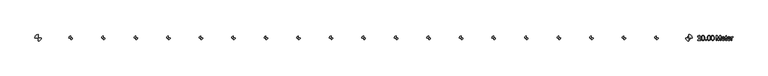
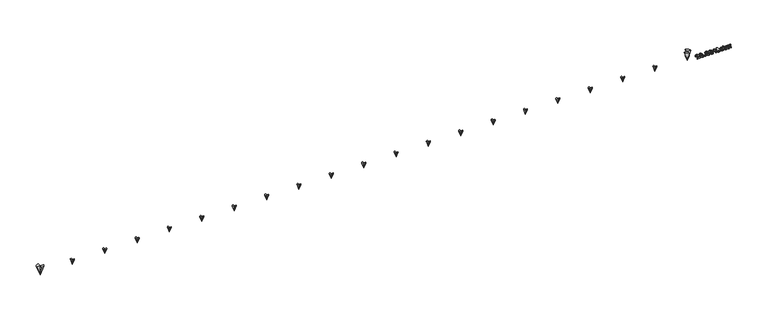
"""IFC4 building model written with IfcOpenShell, lengths in millimetres: proxy geometry."""

import ifcopenshell
import ifcopenshell.guid

model = None  # the IFC model being written
_history = None  # IfcOwnerHistory: only IFC2X3 demands one
_inside = {}  # id of a spatial element -> (the spatial element, [elements in it])
_under = {}  # id of a project, library or spatial element -> (it, [spatial elements below it])
_declared = {}  # id of a project -> (the project, [libraries it declares])
_typed = {}  # id of a type object -> (the type object, [elements of that type])
_made_of = {}  # id of a material, layer set ... -> (it, [elements and type objects made of it])


def new_model(schema):
    """Start an empty IFC model of exactly this schema.

    Asked for "IFC4X3", IfcOpenShell would pick the latest addendum, in which some entities
    have other attributes; the version numbers below select the first issue.
    IFC2X3 requires an IfcOwnerHistory on every rooted entity: one is made here for all.
    """
    global model, _history
    if schema == "IFC4X3":
        model = ifcopenshell.file(schema_version=(4, 3, 0, 0))
    else:
        model = ifcopenshell.file(schema=schema)
    _inside.clear()
    _under.clear()
    _declared.clear()
    _typed.clear()
    _made_of.clear()
    _history = None
    if model.schema == "IFC2X3":
        org = make("IfcOrganization", Name="unknown")
        user = make(
            "IfcPersonAndOrganization",
            ThePerson=make("IfcPerson", FamilyName="unknown"),
            TheOrganization=org,
        )
        app = make(
            "IfcApplication",
            ApplicationDeveloper=org,
            Version="unknown",
            ApplicationFullName="unknown",
            ApplicationIdentifier="unknown",
        )
        _history = make(
            "IfcOwnerHistory",
            OwningUser=user,
            OwningApplication=app,
            ChangeAction="ADDED",
            CreationDate=0,
        )
    return model


def make(cls, **values):
    """One entity of the class cls with the attributes given. An attribute that is None is left unset."""
    return model.create_entity(
        cls, **{name: value for name, value in values.items() if value is not None}
    )


def rooted(cls, **values):
    """An entity with a GlobalId (a new one), such as an element, a storey or a relation."""
    return make(cls, GlobalId=ifcopenshell.guid.new(), OwnerHistory=_history, **values)


def si_unit(unit_type, name, prefix=None):
    """IfcSIUnit, for example si_unit("LENGTHUNIT", "METRE", prefix="MILLI")."""
    return make("IfcSIUnit", UnitType=unit_type, Prefix=prefix, Name=name)


def assignment(units):
    """IfcUnitAssignment: the units of a project."""
    return None if units is None else make("IfcUnitAssignment", Units=units)


def point(xyz):
    """IfcCartesianPoint."""
    return None if xyz is None else make("IfcCartesianPoint", Coordinates=xyz)


def direction(xyz):
    """IfcDirection."""
    return None if xyz is None else make("IfcDirection", DirectionRatios=xyz)


def frame(location, z_axis=None, x_axis=None):
    """IfcAxis2Placement3D, a coordinate frame: its origin and axes. An axis left out is left unset."""
    return make(
        "IfcAxis2Placement3D",
        Location=point(location),
        Axis=direction(z_axis),
        RefDirection=direction(x_axis),
    )


def origin():
    """The frame at (0, 0, 0) with its axes left unset."""
    return frame((0.0, 0.0, 0.0))


def origin_with_axes():
    """The frame at (0, 0, 0) with the z axis (0, 0, 1) and the x axis (1, 0, 0) written out."""
    return frame((0.0, 0.0, 0.0), z_axis=(0.0, 0.0, 1.0), x_axis=(1.0, 0.0, 0.0))


def place(relative_to, where):
    """IfcLocalPlacement: puts the frame where relative to a parent placement (None: the world)."""
    return make(
        "IfcLocalPlacement", PlacementRelTo=relative_to, RelativePlacement=where
    )


def context(
    kind, dimensions, precision=None, world=None, true_north=None, identifier=None
):
    """IfcGeometricRepresentationContext, for example the 3D "Model" context."""
    return make(
        "IfcGeometricRepresentationContext",
        ContextIdentifier=identifier,
        ContextType=kind,
        CoordinateSpaceDimension=dimensions,
        Precision=precision,
        WorldCoordinateSystem=world,
        TrueNorth=true_north,
    )


def project(units=None, contexts=None):
    """IfcProject with its units and contexts."""
    return rooted(
        "IfcProject",
        Name="project",
        RepresentationContexts=contexts,
        UnitsInContext=assignment(units),
    )


def spatial(cls, under=None, at=None, **own):
    """A site, building, storey or space (cls), placed at a placement, below another one or the project."""
    s = rooted(cls, ObjectPlacement=at, **own)
    if under is not None:
        _under.setdefault(under.id(), (under, []))[1].append(s)
    return s


def polyline(points):
    """IfcPolyline through the points."""
    return make("IfcPolyline", Points=[point(p) for p in points])


def circle_curve(where, radius):
    """IfcCircle in the frame where."""
    return make("IfcCircle", Position=where, Radius=radius)


def outline(outer, holes=None, kind="AREA"):
    """IfcArbitraryClosedProfileDef: a profile drawn as a closed curve; with holes, ...WithVoids."""
    if holes is None:
        return make("IfcArbitraryClosedProfileDef", ProfileType=kind, OuterCurve=outer)
    return make(
        "IfcArbitraryProfileDefWithVoids",
        ProfileType=kind,
        OuterCurve=outer,
        InnerCurves=holes,
    )


def extrude(swept, where, along, depth):
    """IfcExtrudedAreaSolid: the profile swept, set in the frame where, extruded along a direction by depth."""
    return make(
        "IfcExtrudedAreaSolid",
        SweptArea=swept,
        Position=where,
        ExtrudedDirection=direction(along),
        Depth=depth,
    )


def shape(context_of_items, identifier, shape_type, items):
    """IfcShapeRepresentation: the items that make up one representation, for example the "Body"."""
    return make(
        "IfcShapeRepresentation",
        ContextOfItems=context_of_items,
        RepresentationIdentifier=identifier,
        RepresentationType=shape_type,
        Items=items,
    )


def source(mapping_origin, context_of_items, identifier, shape_type, items):
    """IfcRepresentationMap: a shape defined once, which mapped items show again and again."""
    return make(
        "IfcRepresentationMap",
        MappingOrigin=mapping_origin,
        MappedRepresentation=shape(context_of_items, identifier, shape_type, items),
    )


def transform(
    local_origin,
    x_axis=None,
    y_axis=None,
    z_axis=None,
    scale=None,
    scale2=None,
    scale3=None,
    uniform=True,
):
    """IfcCartesianTransformationOperator3D, or its non-uniform kind. x_axis, y_axis, z_axis: its Axis1, 2, 3."""
    if uniform:
        return make(
            "IfcCartesianTransformationOperator3D",
            Axis1=direction(x_axis),
            Axis2=direction(y_axis),
            LocalOrigin=point(local_origin),
            Scale=scale,
            Axis3=direction(z_axis),
        )
    return make(
        "IfcCartesianTransformationOperator3DnonUniform",
        Axis1=direction(x_axis),
        Axis2=direction(y_axis),
        LocalOrigin=point(local_origin),
        Scale=scale,
        Axis3=direction(z_axis),
        Scale2=scale2,
        Scale3=scale3,
    )


def mapped(mapping_source, mapping_target):
    """IfcMappedItem: shows the shape of a source again, moved by a transform."""
    return make(
        "IfcMappedItem", MappingSource=mapping_source, MappingTarget=mapping_target
    )


def made_of(thing, what):
    """Note that an element or type object is made of a material, layer set ...; save() writes the relation."""
    if what is not None:
        _made_of.setdefault(what.id(), (what, []))[1].append(thing)
    return thing


def element(
    cls,
    number,
    at=None,
    inside=None,
    cuts=None,
    type_object=None,
    material=None,
    context=None,
    identifier="Body",
    shape_type=None,
    held_by="IfcProductDefinitionShape",
    body=None,
    shapes=None,
    **own,
):
    """One element of the class cls, such as IfcWall. Its Tag is "e" and its number.

    at: its placement. inside: the storey or other place that contains it. cuts: it is an
    opening in that element (IfcRelVoidsElement). A single representation is given by context,
    identifier, shape_type and body (its items); several are given by shapes. held_by: the class
    of the entity that holds the representations. save() writes the other relations.
    """
    e = rooted(cls, Tag="e%d" % number, ObjectPlacement=at, **own)
    if body is not None:
        shapes = [shape(context, identifier, shape_type, body)]
    if shapes is not None:
        e.Representation = make(held_by, Representations=shapes)
    if inside is not None:
        _inside.setdefault(inside.id(), (inside, []))[1].append(e)
    if cuts is not None:
        rooted(
            "IfcRelVoidsElement", RelatingBuildingElement=cuts, RelatedOpeningElement=e
        )
    if type_object is not None:
        _typed.setdefault(type_object.id(), (type_object, []))[1].append(e)
    return made_of(e, material)


def aggregate(whole, parts):
    """IfcRelAggregates: a whole, such as a stair, and the parts it consists of."""
    return rooted("IfcRelAggregates", RelatingObject=whole, RelatedObjects=parts)


def save(model, path):
    """Write the relations noted so far, then the file.

    IfcRelAggregates (storeys below a building ...), IfcRelContainedInSpatialStructure (elements
    in a storey), IfcRelDefinesByType, IfcRelAssociatesMaterial and IfcRelDeclares: one each for
    every whole, place, type object, material and project.
    """
    for whole, parts in _under.values():
        aggregate(whole, parts)
    for where, things in _inside.values():
        rooted(
            "IfcRelContainedInSpatialStructure",
            RelatedElements=things,
            RelatingStructure=where,
        )
    for kind, things in _typed.values():
        rooted("IfcRelDefinesByType", RelatedObjects=things, RelatingType=kind)
    for what, things in _made_of.values():
        rooted("IfcRelAssociatesMaterial", RelatedObjects=things, RelatingMaterial=what)
    for by, libraries in _declared.values():
        rooted("IfcRelDeclares", RelatingContext=by, RelatedDefinitions=libraries)
    model.write(path)


def plane_surface(at):
    """IfcPlane: the flat surface through the origin of the frame at, square to its z axis."""
    return make("IfcPlane", Position=at)


def revolved_surface(curve, axis_point, axis_direction):
    """IfcSurfaceOfRevolution: the curve turned about the line through axis_point along axis_direction."""
    return make(
        "IfcSurfaceOfRevolution",
        SweptCurve=make("IfcArbitraryOpenProfileDef", ProfileType="CURVE", Curve=curve),
        AxisPosition=make("IfcAxis1Placement", Location=point(axis_point), Axis=direction(axis_direction)),
    )


def advanced_brep(points, edges, surfaces, faces):
    """IfcAdvancedBrep: a solid bounded by faces that lie on surfaces and meet in shared edges.

    An edge is (start, end): straight between two places in points (the first is 0);
    or (start, end, curve); or (start, end, curve, False) where it runs against its curve.
    A face is (place in surfaces, loops), or (place, loops, False) where it looks against
    its surface's normal. A loop lists edges by number (the first is 1), with a minus sign
    where the edge is run from its end to its start. The first loop is the outer one.
    """
    corners = [point(p) for p in points]
    vertices = [make("IfcVertexPoint", VertexGeometry=c) for c in corners]
    made = []
    for start, end, *more in edges:
        made.append(
            make(
                "IfcEdgeCurve",
                EdgeStart=vertices[start],
                EdgeEnd=vertices[end],
                EdgeGeometry=more[0] if more else make("IfcPolyline", Points=[corners[start], corners[end]]),
                SameSense=more[1] if len(more) > 1 else True,
            )
        )
    hull = []
    for where, loops, *sense in faces:
        bounds = []
        for j, loop in enumerate(loops):
            ring = [make("IfcOrientedEdge", EdgeElement=made[abs(k) - 1], Orientation=k > 0) for k in loop]
            bounds.append(
                make(
                    "IfcFaceOuterBound" if j == 0 else "IfcFaceBound",
                    Bound=make("IfcEdgeLoop", EdgeList=ring),
                    Orientation=True,
                )
            )
        hull.append(make("IfcAdvancedFace", Bounds=bounds, FaceSurface=surfaces[where], SameSense=sense[0] if sense else True))
    return make("IfcAdvancedBrep", Outer=make("IfcClosedShell", CfsFaces=hull))


def generic_models_39c71c62(model_context):
    return source(origin(), model_context, "Body", "SolidModel", [
        advanced_brep(
        [(19946.9713765, 0.0, 159.0858704), (20000.0, 53.0286235, 159.0858704), (20000.0, 0.0, 0.0), (20053.0286235, 0.0, 159.0858704), (20000.0, -53.0286235, 159.0858704), (20000.0, 0.0, 159.0858704)],
        [
            (0, 1, circle_curve(frame((20000.0, 0.0, 159.0858704), z_axis=(0.0, 0.0, -1.0), x_axis=(1.0, 0.0, 0.0)), 53.0286235)),
            (1, 2),
            (2, 0),
            (2, 3),
            (3, 4, circle_curve(frame((20000.0, 0.0, 159.0858704), z_axis=(0.0, 0.0, -1.0), x_axis=(1.0, 0.0, 0.0)), 53.0286235)),
            (4, 2),
            (0, 5),
            (5, 1),
            (3, 5),
            (5, 4),
            (5, 2),
            (5, 2),
        ],
        [
            revolved_surface(polyline([(20000.0, 0.0, 0.0), (20053.0286235, 0.0, 159.0858704)]), (20000.0, 0.0, 300.0), (0.0, 0.0, 1.0)),
            plane_surface(frame((20000.0, 0.0, 159.0858704), z_axis=(0.0, 0.0, 1.0), x_axis=(1.0, 0.0, 0.0))),
            plane_surface(frame((20000.0, 120.0, 345.9090809), z_axis=(1.0, 0.0, 0.0), x_axis=(0.0, 0.0, -1.0))),
            plane_surface(frame((20000.0, 0.0, 345.9090809), z_axis=(0.0, 1.0, 0.0), x_axis=(0.0, 0.0, -1.0))),
            plane_surface(frame((20000.0, -120.0, 345.9090809), z_axis=(-1.0, 0.0, 0.0), x_axis=(0.0, 0.0, -1.0))),
            plane_surface(frame((20000.0, 0.0, 345.9090809), z_axis=(0.0, -1.0, 0.0), x_axis=(0.0, 0.0, -1.0))),
        ],
        [
            (0, [[1, 2, 3]]),
            (0, [[4, 5, 6]]),
            (1, [[-1, 7, 8]]),
            (1, [[9, 10, -5]]),
            (2, [[11, -2, -8]]),
            (3, [[-11, -9, -4]]),
            (4, [[12, -6, -10]]),
            (5, [[-12, -7, -3]]),
        ],
    ),
        advanced_brep(
        [(18946.9713765, 0.0, 159.0858704), (19000.0, 53.0286235, 159.0858704), (19000.0, 0.0, 0.0), (19053.0286235, 0.0, 159.0858704), (19000.0, -53.0286235, 159.0858704), (19000.0, 0.0, 159.0858704)],
        [
            (0, 1, circle_curve(frame((19000.0, 0.0, 159.0858704), z_axis=(0.0, 0.0, -1.0), x_axis=(1.0, 0.0, 0.0)), 53.0286235)),
            (1, 2),
            (2, 0),
            (2, 3),
            (3, 4, circle_curve(frame((19000.0, 0.0, 159.0858704), z_axis=(0.0, 0.0, -1.0), x_axis=(1.0, 0.0, 0.0)), 53.0286235)),
            (4, 2),
            (0, 5),
            (5, 1),
            (3, 5),
            (5, 4),
            (5, 2),
            (5, 2),
        ],
        [
            revolved_surface(polyline([(19000.0, 0.0, 0.0), (19053.0286235, 0.0, 159.0858704)]), (19000.0, 0.0, 300.0), (0.0, 0.0, 1.0)),
            plane_surface(frame((19000.0, 0.0, 159.0858704), z_axis=(0.0, 0.0, 1.0), x_axis=(1.0, 0.0, 0.0))),
            plane_surface(frame((19000.0, 120.0, 345.9090809), z_axis=(1.0, 0.0, 0.0), x_axis=(0.0, 0.0, -1.0))),
            plane_surface(frame((19000.0, 0.0, 345.9090809), z_axis=(0.0, 1.0, 0.0), x_axis=(0.0, 0.0, -1.0))),
            plane_surface(frame((19000.0, -120.0, 345.9090809), z_axis=(-1.0, 0.0, 0.0), x_axis=(0.0, 0.0, -1.0))),
            plane_surface(frame((19000.0, 0.0, 345.9090809), z_axis=(0.0, -1.0, 0.0), x_axis=(0.0, 0.0, -1.0))),
        ],
        [
            (0, [[1, 2, 3]]),
            (0, [[4, 5, 6]]),
            (1, [[-1, 7, 8]]),
            (1, [[9, 10, -5]]),
            (2, [[11, -2, -8]]),
            (3, [[-11, -9, -4]]),
            (4, [[12, -6, -10]]),
            (5, [[-12, -7, -3]]),
        ],
    ),
        advanced_brep(
        [(17946.9713765, 0.0, 159.0858704), (18000.0, 53.0286235, 159.0858704), (18000.0, 0.0, 0.0), (18053.0286235, 0.0, 159.0858704), (18000.0, -53.0286235, 159.0858704), (18000.0, 0.0, 159.0858704)],
        [
            (0, 1, circle_curve(frame((18000.0, 0.0, 159.0858704), z_axis=(0.0, 0.0, -1.0), x_axis=(1.0, 0.0, 0.0)), 53.0286235)),
            (1, 2),
            (2, 0),
            (2, 3),
            (3, 4, circle_curve(frame((18000.0, 0.0, 159.0858704), z_axis=(0.0, 0.0, -1.0), x_axis=(1.0, 0.0, 0.0)), 53.0286235)),
            (4, 2),
            (0, 5),
            (5, 1),
            (3, 5),
            (5, 4),
            (5, 2),
            (5, 2),
        ],
        [
            revolved_surface(polyline([(18000.0, 0.0, 0.0), (18053.0286235, 0.0, 159.0858704)]), (18000.0, 0.0, 300.0), (0.0, 0.0, 1.0)),
            plane_surface(frame((18000.0, 0.0, 159.0858704), z_axis=(0.0, 0.0, 1.0), x_axis=(1.0, 0.0, 0.0))),
            plane_surface(frame((18000.0, 120.0, 345.9090809), z_axis=(1.0, 0.0, 0.0), x_axis=(0.0, 0.0, -1.0))),
            plane_surface(frame((18000.0, 0.0, 345.9090809), z_axis=(0.0, 1.0, 0.0), x_axis=(0.0, 0.0, -1.0))),
            plane_surface(frame((18000.0, -120.0, 345.9090809), z_axis=(-1.0, 0.0, 0.0), x_axis=(0.0, 0.0, -1.0))),
            plane_surface(frame((18000.0, 0.0, 345.9090809), z_axis=(0.0, -1.0, 0.0), x_axis=(0.0, 0.0, -1.0))),
        ],
        [
            (0, [[1, 2, 3]]),
            (0, [[4, 5, 6]]),
            (1, [[-1, 7, 8]]),
            (1, [[9, 10, -5]]),
            (2, [[11, -2, -8]]),
            (3, [[-11, -9, -4]]),
            (4, [[12, -6, -10]]),
            (5, [[-12, -7, -3]]),
        ],
    ),
        advanced_brep(
        [(16946.9713765, 0.0, 159.0858704), (17000.0, 53.0286235, 159.0858704), (17000.0, 0.0, 0.0), (17053.0286235, 0.0, 159.0858704), (17000.0, -53.0286235, 159.0858704), (17000.0, 0.0, 159.0858704)],
        [
            (0, 1, circle_curve(frame((17000.0, 0.0, 159.0858704), z_axis=(0.0, 0.0, -1.0), x_axis=(1.0, 0.0, 0.0)), 53.0286235)),
            (1, 2),
            (2, 0),
            (2, 3),
            (3, 4, circle_curve(frame((17000.0, 0.0, 159.0858704), z_axis=(0.0, 0.0, -1.0), x_axis=(1.0, 0.0, 0.0)), 53.0286235)),
            (4, 2),
            (0, 5),
            (5, 1),
            (3, 5),
            (5, 4),
            (5, 2),
            (5, 2),
        ],
        [
            revolved_surface(polyline([(17000.0, 0.0, 0.0), (17053.0286235, 0.0, 159.0858704)]), (17000.0, 0.0, 300.0), (0.0, 0.0, 1.0)),
            plane_surface(frame((17000.0, 0.0, 159.0858704), z_axis=(0.0, 0.0, 1.0), x_axis=(1.0, 0.0, 0.0))),
            plane_surface(frame((17000.0, 120.0, 345.9090809), z_axis=(1.0, 0.0, 0.0), x_axis=(0.0, 0.0, -1.0))),
            plane_surface(frame((17000.0, 0.0, 345.9090809), z_axis=(0.0, 1.0, 0.0), x_axis=(0.0, 0.0, -1.0))),
            plane_surface(frame((17000.0, -120.0, 345.9090809), z_axis=(-1.0, 0.0, 0.0), x_axis=(0.0, 0.0, -1.0))),
            plane_surface(frame((17000.0, 0.0, 345.9090809), z_axis=(0.0, -1.0, 0.0), x_axis=(0.0, 0.0, -1.0))),
        ],
        [
            (0, [[1, 2, 3]]),
            (0, [[4, 5, 6]]),
            (1, [[-1, 7, 8]]),
            (1, [[9, 10, -5]]),
            (2, [[11, -2, -8]]),
            (3, [[-11, -9, -4]]),
            (4, [[12, -6, -10]]),
            (5, [[-12, -7, -3]]),
        ],
    ),
        advanced_brep(
        [(15946.9713765, 0.0, 159.0858704), (16000.0, 53.0286235, 159.0858704), (16000.0, 0.0, 0.0), (16053.0286235, 0.0, 159.0858704), (16000.0, -53.0286235, 159.0858704), (16000.0, 0.0, 159.0858704)],
        [
            (0, 1, circle_curve(frame((16000.0, 0.0, 159.0858704), z_axis=(0.0, 0.0, -1.0), x_axis=(1.0, 0.0, 0.0)), 53.0286235)),
            (1, 2),
            (2, 0),
            (2, 3),
            (3, 4, circle_curve(frame((16000.0, 0.0, 159.0858704), z_axis=(0.0, 0.0, -1.0), x_axis=(1.0, 0.0, 0.0)), 53.0286235)),
            (4, 2),
            (0, 5),
            (5, 1),
            (3, 5),
            (5, 4),
            (5, 2),
            (5, 2),
        ],
        [
            revolved_surface(polyline([(16000.0, 0.0, 0.0), (16053.0286235, 0.0, 159.0858704)]), (16000.0, 0.0, 300.0), (0.0, 0.0, 1.0)),
            plane_surface(frame((16000.0, 0.0, 159.0858704), z_axis=(0.0, 0.0, 1.0), x_axis=(1.0, 0.0, 0.0))),
            plane_surface(frame((16000.0, 120.0, 345.9090809), z_axis=(1.0, 0.0, 0.0), x_axis=(0.0, 0.0, -1.0))),
            plane_surface(frame((16000.0, 0.0, 345.9090809), z_axis=(0.0, 1.0, 0.0), x_axis=(0.0, 0.0, -1.0))),
            plane_surface(frame((16000.0, -120.0, 345.9090809), z_axis=(-1.0, 0.0, 0.0), x_axis=(0.0, 0.0, -1.0))),
            plane_surface(frame((16000.0, 0.0, 345.9090809), z_axis=(0.0, -1.0, 0.0), x_axis=(0.0, 0.0, -1.0))),
        ],
        [
            (0, [[1, 2, 3]]),
            (0, [[4, 5, 6]]),
            (1, [[-1, 7, 8]]),
            (1, [[9, 10, -5]]),
            (2, [[11, -2, -8]]),
            (3, [[-11, -9, -4]]),
            (4, [[12, -6, -10]]),
            (5, [[-12, -7, -3]]),
        ],
    ),
        advanced_brep(
        [(14946.9713765, 0.0, 159.0858704), (15000.0, 53.0286235, 159.0858704), (15000.0, 0.0, 0.0), (15053.0286235, 0.0, 159.0858704), (15000.0, -53.0286235, 159.0858704), (15000.0, 0.0, 159.0858704)],
        [
            (0, 1, circle_curve(frame((15000.0, 0.0, 159.0858704), z_axis=(0.0, 0.0, -1.0), x_axis=(1.0, 0.0, 0.0)), 53.0286235)),
            (1, 2),
            (2, 0),
            (2, 3),
            (3, 4, circle_curve(frame((15000.0, 0.0, 159.0858704), z_axis=(0.0, 0.0, -1.0), x_axis=(1.0, 0.0, 0.0)), 53.0286235)),
            (4, 2),
            (0, 5),
            (5, 1),
            (3, 5),
            (5, 4),
            (5, 2),
            (5, 2),
        ],
        [
            revolved_surface(polyline([(15000.0, 0.0, 0.0), (15053.0286235, 0.0, 159.0858704)]), (15000.0, 0.0, 300.0), (0.0, 0.0, 1.0)),
            plane_surface(frame((15000.0, 0.0, 159.0858704), z_axis=(0.0, 0.0, 1.0), x_axis=(1.0, 0.0, 0.0))),
            plane_surface(frame((15000.0, 120.0, 345.9090809), z_axis=(1.0, 0.0, 0.0), x_axis=(0.0, 0.0, -1.0))),
            plane_surface(frame((15000.0, 0.0, 345.9090809), z_axis=(0.0, 1.0, 0.0), x_axis=(0.0, 0.0, -1.0))),
            plane_surface(frame((15000.0, -120.0, 345.9090809), z_axis=(-1.0, 0.0, 0.0), x_axis=(0.0, 0.0, -1.0))),
            plane_surface(frame((15000.0, 0.0, 345.9090809), z_axis=(0.0, -1.0, 0.0), x_axis=(0.0, 0.0, -1.0))),
        ],
        [
            (0, [[1, 2, 3]]),
            (0, [[4, 5, 6]]),
            (1, [[-1, 7, 8]]),
            (1, [[9, 10, -5]]),
            (2, [[11, -2, -8]]),
            (3, [[-11, -9, -4]]),
            (4, [[12, -6, -10]]),
            (5, [[-12, -7, -3]]),
        ],
    ),
        advanced_brep(
        [(13946.9713765, 0.0, 159.0858704), (14000.0, 53.0286235, 159.0858704), (14000.0, 0.0, 0.0), (14053.0286235, 0.0, 159.0858704), (14000.0, -53.0286235, 159.0858704), (14000.0, 0.0, 159.0858704)],
        [
            (0, 1, circle_curve(frame((14000.0, 0.0, 159.0858704), z_axis=(0.0, 0.0, -1.0), x_axis=(1.0, 0.0, 0.0)), 53.0286235)),
            (1, 2),
            (2, 0),
            (2, 3),
            (3, 4, circle_curve(frame((14000.0, 0.0, 159.0858704), z_axis=(0.0, 0.0, -1.0), x_axis=(1.0, 0.0, 0.0)), 53.0286235)),
            (4, 2),
            (0, 5),
            (5, 1),
            (3, 5),
            (5, 4),
            (5, 2),
            (5, 2),
        ],
        [
            revolved_surface(polyline([(14000.0, 0.0, 0.0), (14053.0286235, 0.0, 159.0858704)]), (14000.0, 0.0, 300.0), (0.0, 0.0, 1.0)),
            plane_surface(frame((14000.0, 0.0, 159.0858704), z_axis=(0.0, 0.0, 1.0), x_axis=(1.0, 0.0, 0.0))),
            plane_surface(frame((14000.0, 120.0, 345.9090809), z_axis=(1.0, 0.0, 0.0), x_axis=(0.0, 0.0, -1.0))),
            plane_surface(frame((14000.0, 0.0, 345.9090809), z_axis=(0.0, 1.0, 0.0), x_axis=(0.0, 0.0, -1.0))),
            plane_surface(frame((14000.0, -120.0, 345.9090809), z_axis=(-1.0, 0.0, 0.0), x_axis=(0.0, 0.0, -1.0))),
            plane_surface(frame((14000.0, 0.0, 345.9090809), z_axis=(0.0, -1.0, 0.0), x_axis=(0.0, 0.0, -1.0))),
        ],
        [
            (0, [[1, 2, 3]]),
            (0, [[4, 5, 6]]),
            (1, [[-1, 7, 8]]),
            (1, [[9, 10, -5]]),
            (2, [[11, -2, -8]]),
            (3, [[-11, -9, -4]]),
            (4, [[12, -6, -10]]),
            (5, [[-12, -7, -3]]),
        ],
    ),
        advanced_brep(
        [(12946.9713765, 0.0, 159.0858704), (13000.0, 53.0286235, 159.0858704), (13000.0, 0.0, 0.0), (13053.0286235, 0.0, 159.0858704), (13000.0, -53.0286235, 159.0858704), (13000.0, 0.0, 159.0858704)],
        [
            (0, 1, circle_curve(frame((13000.0, 0.0, 159.0858704), z_axis=(0.0, 0.0, -1.0), x_axis=(1.0, 0.0, 0.0)), 53.0286235)),
            (1, 2),
            (2, 0),
            (2, 3),
            (3, 4, circle_curve(frame((13000.0, 0.0, 159.0858704), z_axis=(0.0, 0.0, -1.0), x_axis=(1.0, 0.0, 0.0)), 53.0286235)),
            (4, 2),
            (0, 5),
            (5, 1),
            (3, 5),
            (5, 4),
            (5, 2),
            (5, 2),
        ],
        [
            revolved_surface(polyline([(13000.0, 0.0, 0.0), (13053.0286235, 0.0, 159.0858704)]), (13000.0, 0.0, 300.0), (0.0, 0.0, 1.0)),
            plane_surface(frame((13000.0, 0.0, 159.0858704), z_axis=(0.0, 0.0, 1.0), x_axis=(1.0, 0.0, 0.0))),
            plane_surface(frame((13000.0, 120.0, 345.9090809), z_axis=(1.0, 0.0, 0.0), x_axis=(0.0, 0.0, -1.0))),
            plane_surface(frame((13000.0, 0.0, 345.9090809), z_axis=(0.0, 1.0, 0.0), x_axis=(0.0, 0.0, -1.0))),
            plane_surface(frame((13000.0, -120.0, 345.9090809), z_axis=(-1.0, 0.0, 0.0), x_axis=(0.0, 0.0, -1.0))),
            plane_surface(frame((13000.0, 0.0, 345.9090809), z_axis=(0.0, -1.0, 0.0), x_axis=(0.0, 0.0, -1.0))),
        ],
        [
            (0, [[1, 2, 3]]),
            (0, [[4, 5, 6]]),
            (1, [[-1, 7, 8]]),
            (1, [[9, 10, -5]]),
            (2, [[11, -2, -8]]),
            (3, [[-11, -9, -4]]),
            (4, [[12, -6, -10]]),
            (5, [[-12, -7, -3]]),
        ],
    ),
        advanced_brep(
        [(11946.9713765, 0.0, 159.0858704), (12000.0, 53.0286235, 159.0858704), (12000.0, 0.0, 0.0), (12053.0286235, 0.0, 159.0858704), (12000.0, -53.0286235, 159.0858704), (12000.0, 0.0, 159.0858704)],
        [
            (0, 1, circle_curve(frame((12000.0, 0.0, 159.0858704), z_axis=(0.0, 0.0, -1.0), x_axis=(1.0, 0.0, 0.0)), 53.0286235)),
            (1, 2),
            (2, 0),
            (2, 3),
            (3, 4, circle_curve(frame((12000.0, 0.0, 159.0858704), z_axis=(0.0, 0.0, -1.0), x_axis=(1.0, 0.0, 0.0)), 53.0286235)),
            (4, 2),
            (0, 5),
            (5, 1),
            (3, 5),
            (5, 4),
            (5, 2),
            (5, 2),
        ],
        [
            revolved_surface(polyline([(12000.0, 0.0, 0.0), (12053.0286235, 0.0, 159.0858704)]), (12000.0, 0.0, 300.0), (0.0, 0.0, 1.0)),
            plane_surface(frame((12000.0, 0.0, 159.0858704), z_axis=(0.0, 0.0, 1.0), x_axis=(1.0, 0.0, 0.0))),
            plane_surface(frame((12000.0, 120.0, 345.9090809), z_axis=(1.0, 0.0, 0.0), x_axis=(0.0, 0.0, -1.0))),
            plane_surface(frame((12000.0, 0.0, 345.9090809), z_axis=(0.0, 1.0, 0.0), x_axis=(0.0, 0.0, -1.0))),
            plane_surface(frame((12000.0, -120.0, 345.9090809), z_axis=(-1.0, 0.0, 0.0), x_axis=(0.0, 0.0, -1.0))),
            plane_surface(frame((12000.0, 0.0, 345.9090809), z_axis=(0.0, -1.0, 0.0), x_axis=(0.0, 0.0, -1.0))),
        ],
        [
            (0, [[1, 2, 3]]),
            (0, [[4, 5, 6]]),
            (1, [[-1, 7, 8]]),
            (1, [[9, 10, -5]]),
            (2, [[11, -2, -8]]),
            (3, [[-11, -9, -4]]),
            (4, [[12, -6, -10]]),
            (5, [[-12, -7, -3]]),
        ],
    ),
        advanced_brep(
        [(10946.9713765, 0.0, 159.0858704), (11000.0, 53.0286235, 159.0858704), (11000.0, 0.0, 0.0), (11053.0286235, 0.0, 159.0858704), (11000.0, -53.0286235, 159.0858704), (11000.0, 0.0, 159.0858704)],
        [
            (0, 1, circle_curve(frame((11000.0, 0.0, 159.0858704), z_axis=(0.0, 0.0, -1.0), x_axis=(1.0, 0.0, 0.0)), 53.0286235)),
            (1, 2),
            (2, 0),
            (2, 3),
            (3, 4, circle_curve(frame((11000.0, 0.0, 159.0858704), z_axis=(0.0, 0.0, -1.0), x_axis=(1.0, 0.0, 0.0)), 53.0286235)),
            (4, 2),
            (0, 5),
            (5, 1),
            (3, 5),
            (5, 4),
            (5, 2),
            (5, 2),
        ],
        [
            revolved_surface(polyline([(11000.0, 0.0, 0.0), (11053.0286235, 0.0, 159.0858704)]), (11000.0, 0.0, 300.0), (0.0, 0.0, 1.0)),
            plane_surface(frame((11000.0, 0.0, 159.0858704), z_axis=(0.0, 0.0, 1.0), x_axis=(1.0, 0.0, 0.0))),
            plane_surface(frame((11000.0, 120.0, 345.9090809), z_axis=(1.0, 0.0, 0.0), x_axis=(0.0, 0.0, -1.0))),
            plane_surface(frame((11000.0, 0.0, 345.9090809), z_axis=(0.0, 1.0, 0.0), x_axis=(0.0, 0.0, -1.0))),
            plane_surface(frame((11000.0, -120.0, 345.9090809), z_axis=(-1.0, 0.0, 0.0), x_axis=(0.0, 0.0, -1.0))),
            plane_surface(frame((11000.0, 0.0, 345.9090809), z_axis=(0.0, -1.0, 0.0), x_axis=(0.0, 0.0, -1.0))),
        ],
        [
            (0, [[1, 2, 3]]),
            (0, [[4, 5, 6]]),
            (1, [[-1, 7, 8]]),
            (1, [[9, 10, -5]]),
            (2, [[11, -2, -8]]),
            (3, [[-11, -9, -4]]),
            (4, [[12, -6, -10]]),
            (5, [[-12, -7, -3]]),
        ],
    ),
        advanced_brep(
        [(9946.9713765, 0.0, 159.0858704), (10000.0, 53.0286235, 159.0858704), (10000.0, 0.0, 0.0), (10053.0286235, 0.0, 159.0858704), (10000.0, -53.0286235, 159.0858704), (10000.0, 0.0, 159.0858704)],
        [
            (0, 1, circle_curve(frame((10000.0, 0.0, 159.0858704), z_axis=(0.0, 0.0, -1.0), x_axis=(1.0, 0.0, 0.0)), 53.0286235)),
            (1, 2),
            (2, 0),
            (2, 3),
            (3, 4, circle_curve(frame((10000.0, 0.0, 159.0858704), z_axis=(0.0, 0.0, -1.0), x_axis=(1.0, 0.0, 0.0)), 53.0286235)),
            (4, 2),
            (0, 5),
            (5, 1),
            (3, 5),
            (5, 4),
            (5, 2),
            (5, 2),
        ],
        [
            revolved_surface(polyline([(10000.0, 0.0, 0.0), (10053.0286235, 0.0, 159.0858704)]), (10000.0, 0.0, 300.0), (0.0, 0.0, 1.0)),
            plane_surface(frame((10000.0, 0.0, 159.0858704), z_axis=(0.0, 0.0, 1.0), x_axis=(1.0, 0.0, 0.0))),
            plane_surface(frame((10000.0, 120.0, 345.9090809), z_axis=(1.0, 0.0, 0.0), x_axis=(0.0, 0.0, -1.0))),
            plane_surface(frame((10000.0, 0.0, 345.9090809), z_axis=(0.0, 1.0, 0.0), x_axis=(0.0, 0.0, -1.0))),
            plane_surface(frame((10000.0, -120.0, 345.9090809), z_axis=(-1.0, 0.0, 0.0), x_axis=(0.0, 0.0, -1.0))),
            plane_surface(frame((10000.0, 0.0, 345.9090809), z_axis=(0.0, -1.0, 0.0), x_axis=(0.0, 0.0, -1.0))),
        ],
        [
            (0, [[1, 2, 3]]),
            (0, [[4, 5, 6]]),
            (1, [[-1, 7, 8]]),
            (1, [[9, 10, -5]]),
            (2, [[11, -2, -8]]),
            (3, [[-11, -9, -4]]),
            (4, [[12, -6, -10]]),
            (5, [[-12, -7, -3]]),
        ],
    ),
        advanced_brep(
        [(8946.9713765, 0.0, 159.0858704), (9000.0, 53.0286235, 159.0858704), (9000.0, 0.0, 0.0), (9053.0286235, 0.0, 159.0858704), (9000.0, -53.0286235, 159.0858704), (9000.0, 0.0, 159.0858704)],
        [
            (0, 1, circle_curve(frame((9000.0, 0.0, 159.0858704), z_axis=(0.0, 0.0, -1.0), x_axis=(1.0, 0.0, 0.0)), 53.0286235)),
            (1, 2),
            (2, 0),
            (2, 3),
            (3, 4, circle_curve(frame((9000.0, 0.0, 159.0858704), z_axis=(0.0, 0.0, -1.0), x_axis=(1.0, 0.0, 0.0)), 53.0286235)),
            (4, 2),
            (0, 5),
            (5, 1),
            (3, 5),
            (5, 4),
            (5, 2),
            (5, 2),
        ],
        [
            revolved_surface(polyline([(9000.0, 0.0, 0.0), (9053.0286235, 0.0, 159.0858704)]), (9000.0, 0.0, 300.0), (0.0, 0.0, 1.0)),
            plane_surface(frame((9000.0, 0.0, 159.0858704), z_axis=(0.0, 0.0, 1.0), x_axis=(1.0, 0.0, 0.0))),
            plane_surface(frame((9000.0, 120.0, 345.9090809), z_axis=(1.0, 0.0, 0.0), x_axis=(0.0, 0.0, -1.0))),
            plane_surface(frame((9000.0, 0.0, 345.9090809), z_axis=(0.0, 1.0, 0.0), x_axis=(0.0, 0.0, -1.0))),
            plane_surface(frame((9000.0, -120.0, 345.9090809), z_axis=(-1.0, 0.0, 0.0), x_axis=(0.0, 0.0, -1.0))),
            plane_surface(frame((9000.0, 0.0, 345.9090809), z_axis=(0.0, -1.0, 0.0), x_axis=(0.0, 0.0, -1.0))),
        ],
        [
            (0, [[1, 2, 3]]),
            (0, [[4, 5, 6]]),
            (1, [[-1, 7, 8]]),
            (1, [[9, 10, -5]]),
            (2, [[11, -2, -8]]),
            (3, [[-11, -9, -4]]),
            (4, [[12, -6, -10]]),
            (5, [[-12, -7, -3]]),
        ],
    ),
        advanced_brep(
        [(7946.9713765, 0.0, 159.0858704), (8000.0, 53.0286235, 159.0858704), (8000.0, 0.0, 0.0), (8053.0286235, 0.0, 159.0858704), (8000.0, -53.0286235, 159.0858704), (8000.0, 0.0, 159.0858704)],
        [
            (0, 1, circle_curve(frame((8000.0, 0.0, 159.0858704), z_axis=(0.0, 0.0, -1.0), x_axis=(1.0, 0.0, 0.0)), 53.0286235)),
            (1, 2),
            (2, 0),
            (2, 3),
            (3, 4, circle_curve(frame((8000.0, 0.0, 159.0858704), z_axis=(0.0, 0.0, -1.0), x_axis=(1.0, 0.0, 0.0)), 53.0286235)),
            (4, 2),
            (0, 5),
            (5, 1),
            (3, 5),
            (5, 4),
            (5, 2),
            (5, 2),
        ],
        [
            revolved_surface(polyline([(8000.0, 0.0, 0.0), (8053.0286235, 0.0, 159.0858704)]), (8000.0, 0.0, 300.0), (0.0, 0.0, 1.0)),
            plane_surface(frame((8000.0, 0.0, 159.0858704), z_axis=(0.0, 0.0, 1.0), x_axis=(1.0, 0.0, 0.0))),
            plane_surface(frame((8000.0, 120.0, 345.9090809), z_axis=(1.0, 0.0, 0.0), x_axis=(0.0, 0.0, -1.0))),
            plane_surface(frame((8000.0, 0.0, 345.9090809), z_axis=(0.0, 1.0, 0.0), x_axis=(0.0, 0.0, -1.0))),
            plane_surface(frame((8000.0, -120.0, 345.9090809), z_axis=(-1.0, 0.0, 0.0), x_axis=(0.0, 0.0, -1.0))),
            plane_surface(frame((8000.0, 0.0, 345.9090809), z_axis=(0.0, -1.0, 0.0), x_axis=(0.0, 0.0, -1.0))),
        ],
        [
            (0, [[1, 2, 3]]),
            (0, [[4, 5, 6]]),
            (1, [[-1, 7, 8]]),
            (1, [[9, 10, -5]]),
            (2, [[11, -2, -8]]),
            (3, [[-11, -9, -4]]),
            (4, [[12, -6, -10]]),
            (5, [[-12, -7, -3]]),
        ],
    ),
        advanced_brep(
        [(6946.9713765, 0.0, 159.0858704), (7000.0, 53.0286235, 159.0858704), (7000.0, 0.0, 0.0), (7053.0286235, 0.0, 159.0858704), (7000.0, -53.0286235, 159.0858704), (7000.0, 0.0, 159.0858704)],
        [
            (0, 1, circle_curve(frame((7000.0, 0.0, 159.0858704), z_axis=(0.0, 0.0, -1.0), x_axis=(1.0, 0.0, 0.0)), 53.0286235)),
            (1, 2),
            (2, 0),
            (2, 3),
            (3, 4, circle_curve(frame((7000.0, 0.0, 159.0858704), z_axis=(0.0, 0.0, -1.0), x_axis=(1.0, 0.0, 0.0)), 53.0286235)),
            (4, 2),
            (0, 5),
            (5, 1),
            (3, 5),
            (5, 4),
            (5, 2),
            (5, 2),
        ],
        [
            revolved_surface(polyline([(7000.0, 0.0, 0.0), (7053.0286235, 0.0, 159.0858704)]), (7000.0, 0.0, 300.0), (0.0, 0.0, 1.0)),
            plane_surface(frame((7000.0, 0.0, 159.0858704), z_axis=(0.0, 0.0, 1.0), x_axis=(1.0, 0.0, 0.0))),
            plane_surface(frame((7000.0, 120.0, 345.9090809), z_axis=(1.0, 0.0, 0.0), x_axis=(0.0, 0.0, -1.0))),
            plane_surface(frame((7000.0, 0.0, 345.9090809), z_axis=(0.0, 1.0, 0.0), x_axis=(0.0, 0.0, -1.0))),
            plane_surface(frame((7000.0, -120.0, 345.9090809), z_axis=(-1.0, 0.0, 0.0), x_axis=(0.0, 0.0, -1.0))),
            plane_surface(frame((7000.0, 0.0, 345.9090809), z_axis=(0.0, -1.0, 0.0), x_axis=(0.0, 0.0, -1.0))),
        ],
        [
            (0, [[1, 2, 3]]),
            (0, [[4, 5, 6]]),
            (1, [[-1, 7, 8]]),
            (1, [[9, 10, -5]]),
            (2, [[11, -2, -8]]),
            (3, [[-11, -9, -4]]),
            (4, [[12, -6, -10]]),
            (5, [[-12, -7, -3]]),
        ],
    ),
        advanced_brep(
        [(5946.9713765, 0.0, 159.0858704), (6000.0, 53.0286235, 159.0858704), (6000.0, 0.0, 0.0), (6053.0286235, 0.0, 159.0858704), (6000.0, -53.0286235, 159.0858704), (6000.0, 0.0, 159.0858704)],
        [
            (0, 1, circle_curve(frame((6000.0, 0.0, 159.0858704), z_axis=(0.0, 0.0, -1.0), x_axis=(1.0, 0.0, 0.0)), 53.0286235)),
            (1, 2),
            (2, 0),
            (2, 3),
            (3, 4, circle_curve(frame((6000.0, 0.0, 159.0858704), z_axis=(0.0, 0.0, -1.0), x_axis=(1.0, 0.0, 0.0)), 53.0286235)),
            (4, 2),
            (0, 5),
            (5, 1),
            (3, 5),
            (5, 4),
            (5, 2),
            (5, 2),
        ],
        [
            revolved_surface(polyline([(6000.0, 0.0, 0.0), (6053.0286235, 0.0, 159.0858704)]), (6000.0, 0.0, 300.0), (0.0, 0.0, 1.0)),
            plane_surface(frame((6000.0, 0.0, 159.0858704), z_axis=(0.0, 0.0, 1.0), x_axis=(1.0, 0.0, 0.0))),
            plane_surface(frame((6000.0, 120.0, 345.9090809), z_axis=(1.0, 0.0, 0.0), x_axis=(0.0, 0.0, -1.0))),
            plane_surface(frame((6000.0, 0.0, 345.9090809), z_axis=(0.0, 1.0, 0.0), x_axis=(0.0, 0.0, -1.0))),
            plane_surface(frame((6000.0, -120.0, 345.9090809), z_axis=(-1.0, 0.0, 0.0), x_axis=(0.0, 0.0, -1.0))),
            plane_surface(frame((6000.0, 0.0, 345.9090809), z_axis=(0.0, -1.0, 0.0), x_axis=(0.0, 0.0, -1.0))),
        ],
        [
            (0, [[1, 2, 3]]),
            (0, [[4, 5, 6]]),
            (1, [[-1, 7, 8]]),
            (1, [[9, 10, -5]]),
            (2, [[11, -2, -8]]),
            (3, [[-11, -9, -4]]),
            (4, [[12, -6, -10]]),
            (5, [[-12, -7, -3]]),
        ],
    ),
        advanced_brep(
        [(4946.9713765, 0.0, 159.0858704), (5000.0, 53.0286235, 159.0858704), (5000.0, 0.0, 0.0), (5053.0286235, 0.0, 159.0858704), (5000.0, -53.0286235, 159.0858704), (5000.0, 0.0, 159.0858704)],
        [
            (0, 1, circle_curve(frame((5000.0, 0.0, 159.0858704), z_axis=(0.0, 0.0, -1.0), x_axis=(1.0, 0.0, 0.0)), 53.0286235)),
            (1, 2),
            (2, 0),
            (2, 3),
            (3, 4, circle_curve(frame((5000.0, 0.0, 159.0858704), z_axis=(0.0, 0.0, -1.0), x_axis=(1.0, 0.0, 0.0)), 53.0286235)),
            (4, 2),
            (0, 5),
            (5, 1),
            (3, 5),
            (5, 4),
            (5, 2),
            (5, 2),
        ],
        [
            revolved_surface(polyline([(5000.0, 0.0, 0.0), (5053.0286235, 0.0, 159.0858704)]), (5000.0, 0.0, 300.0), (0.0, 0.0, 1.0)),
            plane_surface(frame((5000.0, 0.0, 159.0858704), z_axis=(0.0, 0.0, 1.0), x_axis=(1.0, 0.0, 0.0))),
            plane_surface(frame((5000.0, 120.0, 345.9090809), z_axis=(1.0, 0.0, 0.0), x_axis=(0.0, 0.0, -1.0))),
            plane_surface(frame((5000.0, 0.0, 345.9090809), z_axis=(0.0, 1.0, 0.0), x_axis=(0.0, 0.0, -1.0))),
            plane_surface(frame((5000.0, -120.0, 345.9090809), z_axis=(-1.0, 0.0, 0.0), x_axis=(0.0, 0.0, -1.0))),
            plane_surface(frame((5000.0, 0.0, 345.9090809), z_axis=(0.0, -1.0, 0.0), x_axis=(0.0, 0.0, -1.0))),
        ],
        [
            (0, [[1, 2, 3]]),
            (0, [[4, 5, 6]]),
            (1, [[-1, 7, 8]]),
            (1, [[9, 10, -5]]),
            (2, [[11, -2, -8]]),
            (3, [[-11, -9, -4]]),
            (4, [[12, -6, -10]]),
            (5, [[-12, -7, -3]]),
        ],
    ),
        advanced_brep(
        [(3946.9713765, 0.0, 159.0858704), (4000.0, 53.0286235, 159.0858704), (4000.0, 0.0, 0.0), (4053.0286235, 0.0, 159.0858704), (4000.0, -53.0286235, 159.0858704), (4000.0, 0.0, 159.0858704)],
        [
            (0, 1, circle_curve(frame((4000.0, 0.0, 159.0858704), z_axis=(0.0, 0.0, -1.0), x_axis=(1.0, 0.0, 0.0)), 53.0286235)),
            (1, 2),
            (2, 0),
            (2, 3),
            (3, 4, circle_curve(frame((4000.0, 0.0, 159.0858704), z_axis=(0.0, 0.0, -1.0), x_axis=(1.0, 0.0, 0.0)), 53.0286235)),
            (4, 2),
            (0, 5),
            (5, 1),
            (3, 5),
            (5, 4),
            (5, 2),
            (5, 2),
        ],
        [
            revolved_surface(polyline([(4000.0, 0.0, 0.0), (4053.0286235, 0.0, 159.0858704)]), (4000.0, 0.0, 300.0), (0.0, 0.0, 1.0)),
            plane_surface(frame((4000.0, 0.0, 159.0858704), z_axis=(0.0, 0.0, 1.0), x_axis=(1.0, 0.0, 0.0))),
            plane_surface(frame((4000.0, 120.0, 345.9090809), z_axis=(1.0, 0.0, 0.0), x_axis=(0.0, 0.0, -1.0))),
            plane_surface(frame((4000.0, 0.0, 345.9090809), z_axis=(0.0, 1.0, 0.0), x_axis=(0.0, 0.0, -1.0))),
            plane_surface(frame((4000.0, -120.0, 345.9090809), z_axis=(-1.0, 0.0, 0.0), x_axis=(0.0, 0.0, -1.0))),
            plane_surface(frame((4000.0, 0.0, 345.9090809), z_axis=(0.0, -1.0, 0.0), x_axis=(0.0, 0.0, -1.0))),
        ],
        [
            (0, [[1, 2, 3]]),
            (0, [[4, 5, 6]]),
            (1, [[-1, 7, 8]]),
            (1, [[9, 10, -5]]),
            (2, [[11, -2, -8]]),
            (3, [[-11, -9, -4]]),
            (4, [[12, -6, -10]]),
            (5, [[-12, -7, -3]]),
        ],
    ),
        advanced_brep(
        [(2946.9713765, 0.0, 159.0858704), (3000.0, 53.0286235, 159.0858704), (3000.0, 0.0, 0.0), (3053.0286235, 0.0, 159.0858704), (3000.0, -53.0286235, 159.0858704), (3000.0, 0.0, 159.0858704)],
        [
            (0, 1, circle_curve(frame((3000.0, 0.0, 159.0858704), z_axis=(0.0, 0.0, -1.0), x_axis=(1.0, 0.0, 0.0)), 53.0286235)),
            (1, 2),
            (2, 0),
            (2, 3),
            (3, 4, circle_curve(frame((3000.0, 0.0, 159.0858704), z_axis=(0.0, 0.0, -1.0), x_axis=(1.0, 0.0, 0.0)), 53.0286235)),
            (4, 2),
            (0, 5),
            (5, 1),
            (3, 5),
            (5, 4),
            (5, 2),
            (5, 2),
        ],
        [
            revolved_surface(polyline([(3000.0, 0.0, 0.0), (3053.0286235, 0.0, 159.0858704)]), (3000.0, 0.0, 300.0), (0.0, 0.0, 1.0)),
            plane_surface(frame((3000.0, 0.0, 159.0858704), z_axis=(0.0, 0.0, 1.0), x_axis=(1.0, 0.0, 0.0))),
            plane_surface(frame((3000.0, 120.0, 345.9090809), z_axis=(1.0, 0.0, 0.0), x_axis=(0.0, 0.0, -1.0))),
            plane_surface(frame((3000.0, 0.0, 345.9090809), z_axis=(0.0, 1.0, 0.0), x_axis=(0.0, 0.0, -1.0))),
            plane_surface(frame((3000.0, -120.0, 345.9090809), z_axis=(-1.0, 0.0, 0.0), x_axis=(0.0, 0.0, -1.0))),
            plane_surface(frame((3000.0, 0.0, 345.9090809), z_axis=(0.0, -1.0, 0.0), x_axis=(0.0, 0.0, -1.0))),
        ],
        [
            (0, [[1, 2, 3]]),
            (0, [[4, 5, 6]]),
            (1, [[-1, 7, 8]]),
            (1, [[9, 10, -5]]),
            (2, [[11, -2, -8]]),
            (3, [[-11, -9, -4]]),
            (4, [[12, -6, -10]]),
            (5, [[-12, -7, -3]]),
        ],
    ),
        advanced_brep(
        [(1946.9713765, 0.0, 159.0858704), (2000.0, 53.0286235, 159.0858704), (2000.0, 0.0, 0.0), (2053.0286235, 0.0, 159.0858704), (2000.0, -53.0286235, 159.0858704), (2000.0, 0.0, 159.0858704)],
        [
            (0, 1, circle_curve(frame((2000.0, 0.0, 159.0858704), z_axis=(0.0, 0.0, -1.0), x_axis=(1.0, 0.0, 0.0)), 53.0286235)),
            (1, 2),
            (2, 0),
            (2, 3),
            (3, 4, circle_curve(frame((2000.0, 0.0, 159.0858704), z_axis=(0.0, 0.0, -1.0), x_axis=(1.0, 0.0, 0.0)), 53.0286235)),
            (4, 2),
            (0, 5),
            (5, 1),
            (3, 5),
            (5, 4),
            (5, 2),
            (5, 2),
        ],
        [
            revolved_surface(polyline([(2000.0, 0.0, 0.0), (2053.0286235, 0.0, 159.0858704)]), (2000.0, 0.0, 300.0), (0.0, 0.0, 1.0)),
            plane_surface(frame((2000.0, 0.0, 159.0858704), z_axis=(0.0, 0.0, 1.0), x_axis=(1.0, 0.0, 0.0))),
            plane_surface(frame((2000.0, 120.0, 345.9090809), z_axis=(1.0, 0.0, 0.0), x_axis=(0.0, 0.0, -1.0))),
            plane_surface(frame((2000.0, 0.0, 345.9090809), z_axis=(0.0, 1.0, 0.0), x_axis=(0.0, 0.0, -1.0))),
            plane_surface(frame((2000.0, -120.0, 345.9090809), z_axis=(-1.0, 0.0, 0.0), x_axis=(0.0, 0.0, -1.0))),
            plane_surface(frame((2000.0, 0.0, 345.9090809), z_axis=(0.0, -1.0, 0.0), x_axis=(0.0, 0.0, -1.0))),
        ],
        [
            (0, [[1, 2, 3]]),
            (0, [[4, 5, 6]]),
            (1, [[-1, 7, 8]]),
            (1, [[9, 10, -5]]),
            (2, [[11, -2, -8]]),
            (3, [[-11, -9, -4]]),
            (4, [[12, -6, -10]]),
            (5, [[-12, -7, -3]]),
        ],
    ),
        advanced_brep(
        [(946.9713765, 0.0, 159.0858704), (1000.0, 53.0286235, 159.0858704), (1000.0, 0.0, 0.0), (1053.0286235, 0.0, 159.0858704), (1000.0, -53.0286235, 159.0858704), (1000.0, 0.0, 159.0858704)],
        [
            (0, 1, circle_curve(frame((1000.0, 0.0, 159.0858704), z_axis=(0.0, 0.0, -1.0), x_axis=(1.0, 0.0, 0.0)), 53.0286235)),
            (1, 2),
            (2, 0),
            (2, 3),
            (3, 4, circle_curve(frame((1000.0, 0.0, 159.0858704), z_axis=(0.0, 0.0, -1.0), x_axis=(1.0, 0.0, 0.0)), 53.0286235)),
            (4, 2),
            (0, 5),
            (5, 1),
            (3, 5),
            (5, 4),
            (5, 2),
            (5, 2),
        ],
        [
            revolved_surface(polyline([(1000.0, 0.0, 0.0), (1053.0286235, 0.0, 159.0858704)]), (1000.0, 0.0, 300.0), (0.0, 0.0, 1.0)),
            plane_surface(frame((1000.0, 0.0, 159.0858704), z_axis=(0.0, 0.0, 1.0), x_axis=(1.0, 0.0, 0.0))),
            plane_surface(frame((1000.0, 120.0, 345.9090809), z_axis=(1.0, 0.0, 0.0), x_axis=(0.0, 0.0, -1.0))),
            plane_surface(frame((1000.0, 0.0, 345.9090809), z_axis=(0.0, 1.0, 0.0), x_axis=(0.0, 0.0, -1.0))),
            plane_surface(frame((1000.0, -120.0, 345.9090809), z_axis=(-1.0, 0.0, 0.0), x_axis=(0.0, 0.0, -1.0))),
            plane_surface(frame((1000.0, 0.0, 345.9090809), z_axis=(0.0, -1.0, 0.0), x_axis=(0.0, 0.0, -1.0))),
        ],
        [
            (0, [[1, 2, 3]]),
            (0, [[4, 5, 6]]),
            (1, [[-1, 7, 8]]),
            (1, [[9, 10, -5]]),
            (2, [[11, -2, -8]]),
            (3, [[-11, -9, -4]]),
            (4, [[12, -6, -10]]),
            (5, [[-12, -7, -3]]),
        ],
    ),
        advanced_brep(
        [(20000.0, -100.0, 300.0), (19900.0, 0.0, 300.0), (20000.0, 0.0, 0.0), (20000.0, 100.0, 300.0), (20100.0, 0.0, 300.0), (20000.0, 0.0, 300.0)],
        [
            (0, 1, circle_curve(frame((20000.0, 0.0, 300.0), z_axis=(0.0, 0.0, -1.0), x_axis=(0.0, 1.0, 0.0)), 100.0)),
            (1, 2),
            (2, 0),
            (2, 3),
            (3, 4, circle_curve(frame((20000.0, 0.0, 300.0), z_axis=(0.0, 0.0, -1.0), x_axis=(0.0, 1.0, 0.0)), 100.0)),
            (4, 2),
            (0, 5),
            (5, 1),
            (3, 5),
            (5, 4),
            (5, 2),
            (5, 2),
        ],
        [
            revolved_surface(polyline([(20000.0, 0.0, 0.0), (20000.0, 100.0, 300.0)]), (20000.0, 0.0, 300.0), (0.0, 0.0, 1.0)),
            plane_surface(frame((20000.0, 0.0, 300.0), z_axis=(0.0, 0.0, 1.0), x_axis=(0.0, 1.0, 0.0))),
            plane_surface(frame((19880.0, 0.0, 345.9090809), z_axis=(0.0, 1.0, 0.0), x_axis=(0.0, 0.0, -1.0))),
            plane_surface(frame((20000.0, 0.0, 345.9090809), z_axis=(-1.0, 0.0, 0.0), x_axis=(0.0, 0.0, -1.0))),
            plane_surface(frame((20120.0, 0.0, 345.9090809), z_axis=(0.0, -1.0, 0.0), x_axis=(0.0, 0.0, -1.0))),
            plane_surface(frame((20000.0, 0.0, 345.9090809), z_axis=(1.0, 0.0, 0.0), x_axis=(0.0, 0.0, -1.0))),
        ],
        [
            (0, [[1, 2, 3]]),
            (0, [[4, 5, 6]]),
            (1, [[-1, 7, 8]]),
            (1, [[9, 10, -5]]),
            (2, [[11, -2, -8]]),
            (3, [[-11, -9, -4]]),
            (4, [[12, -6, -10]]),
            (5, [[-12, -7, -3]]),
        ],
    ),
        advanced_brep(
        [(-100.0, 0.0, 300.0), (0.0, 100.0, 300.0), (0.0, 0.0, 0.0), (100.0, 0.0, 300.0), (0.0, -100.0, 300.0), (0.0, 0.0, 300.0)],
        [
            (0, 1, circle_curve(frame((0.0, 0.0, 300.0), z_axis=(0.0, 0.0, -1.0), x_axis=(1.0, 0.0, 0.0)), 100.0)),
            (1, 2),
            (2, 0),
            (2, 3),
            (3, 4, circle_curve(frame((0.0, 0.0, 300.0), z_axis=(0.0, 0.0, -1.0), x_axis=(1.0, 0.0, 0.0)), 100.0)),
            (4, 2),
            (0, 5),
            (5, 1),
            (3, 5),
            (5, 4),
            (5, 2),
            (5, 2),
        ],
        [
            revolved_surface(polyline([(0.0, 0.0, 0.0), (100.0, 0.0, 300.0)]), (0.0, 0.0, 300.0), (0.0, 0.0, 1.0)),
            plane_surface(frame((0.0, 0.0, 300.0), z_axis=(0.0, 0.0, 1.0), x_axis=(1.0, 0.0, 0.0))),
            plane_surface(frame((0.0, 120.0, 345.9090809), z_axis=(1.0, 0.0, 0.0), x_axis=(0.0, 0.0, -1.0))),
            plane_surface(frame((0.0, 0.0, 345.9090809), z_axis=(0.0, 1.0, 0.0), x_axis=(0.0, 0.0, -1.0))),
            plane_surface(frame((0.0, -120.0, 345.9090809), z_axis=(-1.0, 0.0, 0.0), x_axis=(0.0, 0.0, -1.0))),
            plane_surface(frame((0.0, 0.0, 345.9090809), z_axis=(0.0, -1.0, 0.0), x_axis=(0.0, 0.0, -1.0))),
        ],
        [
            (0, [[1, 2, 3]]),
            (0, [[4, 5, 6]]),
            (1, [[-1, 7, 8]]),
            (1, [[9, 10, -5]]),
            (2, [[11, -2, -8]]),
            (3, [[-11, -9, -4]]),
            (4, [[12, -6, -10]]),
            (5, [[-12, -7, -3]]),
        ],
    ),
        extrude(outline(polyline([(20510.9927293, -75.0), (20510.9927293, -56.1644418), (20529.8282875, -56.1644418), (20529.8282875, -75.0), (20510.9927293, -75.0)])), origin_with_axes(), (0.0, 0.0, 1.0), 35.0),
        extrude(outline(polyline([(20566.5749502, -0.871778), (20567.9591062, 23.2474853), (20572.1115743, 42.4831152), (20578.9909676, 57.1294171), (20588.5558995, 67.4806967), (20600.8753478, 73.6335231), (20616.0182904, 75.6844652), (20638.0176337, 70.8284229), (20653.2111601, 56.830513), (20662.040328, 34.5368641), (20665.4616305, -0.871778), (20664.0912701, -24.8530855), (20659.9801888, -44.0427301), (20653.1421822, -58.7028276), (20643.5910459, -69.095494), (20631.2440065, -75.2897071), (20616.0182904, -77.3544448), (20596.4469682, -73.7675953), (20581.5845356, -63.007047), (20570.3273466, -37.5220217), (20566.5749502, -0.871778)]), holes=[polyline([(20585.4105084, -0.8349898), (20587.6178004, -30.463286), (20594.2396763, -47.6111855), (20604.0989137, -55.7919613), (20616.0182904, -58.5188866), (20627.937667, -55.7827643), (20637.7969045, -47.5743973), (20644.4187804, -30.4173007), (20646.6260724, -0.8349898), (20644.4923568, 28.1265203), (20638.0912101, 45.407777), (20628.2503667, 53.9886246), (20615.7975612, 56.8489071), (20604.0069432, 54.3289154), (20594.5339819, 46.7689404), (20587.6913768, 28.4116288), (20585.4105084, -0.8349898)])]), origin_with_axes(), (0.0, 0.0, 1.0), 35.0),
        extrude(outline(polyline([(20681.9427439, -0.871778), (20683.3268999, 23.2474853), (20687.479368, 42.4831152), (20694.3587613, 57.1294171), (20703.9236931, 67.4806967), (20716.2431415, 73.6335231), (20731.3860841, 75.6844652), (20753.3854274, 70.8284229), (20768.5789538, 56.830513), (20777.4081217, 34.5368641), (20780.8294242, -0.871778), (20779.4590638, -24.8530855), (20775.3479825, -44.0427301), (20768.5099759, -58.7028276), (20758.9588396, -69.095494), (20746.6118002, -75.2897071), (20731.3860841, -77.3544448), (20711.8147619, -73.7675953), (20696.9523293, -63.007047), (20685.6951403, -37.5220217), (20681.9427439, -0.871778)]), holes=[polyline([(20700.7783021, -0.8349898), (20702.985594, -30.463286), (20709.60747, -47.6111855), (20719.4667074, -55.7919613), (20731.3860841, -58.5188866), (20743.3054607, -55.7827643), (20753.1646982, -47.5743973), (20759.7865741, -30.4173007), (20761.9938661, -0.8349898), (20759.8601505, 28.1265203), (20753.4590038, 45.407777), (20743.6181604, 53.9886246), (20731.1653549, 56.8489071), (20719.3747369, 54.3289154), (20709.9017756, 46.7689404), (20703.0591704, 28.4116288), (20700.7783021, -0.8349898)])]), origin_with_axes(), (0.0, 0.0, 1.0), 35.0),
        extrude(outline(polyline([(20838.6382845, -75.0), (20838.6382845, 75.6844652), (20871.0486883, 75.6844652), (20901.8771995, -30.5230668), (20908.0944052, -52.7063511), (20914.8266457, -28.6836568), (20945.1401221, 75.6844652), (20977.5505259, 75.6844652), (20977.5505259, -75.0), (20958.7149678, -75.0), (20958.7149678, 56.8489071), (20920.8599105, -75.0), (20895.3289, -75.0), (20857.4738427, 56.8489071), (20857.4738427, -75.0), (20838.6382845, -75.0)])), origin_with_axes(), (0.0, 0.0, 1.0), 35.0),
        extrude(outline(polyline([(21085.6342561, -42.0377732), (21104.1019323, -44.392218), (21097.4478667, -58.3073545), (21086.8298726, -68.7092179), (21072.4870733, -75.193138), (21054.6585921, -77.3544448), (21032.5580813, -73.625041), (21015.552736, -62.4368299), (21004.7094142, -44.5163782), (21001.0949736, -20.5902529), (21004.7462024, 4.1406142), (21015.6998888, 22.6358815), (21032.4753078, 34.1689821), (21053.5917343, 38.0133489), (21074.0505718, 34.1781791), (21090.3983279, 22.6726697), (21101.1174896, 4.2141906), (21104.6905435, -20.4798883), (21104.5801789, -25.5566598), (21019.9305318, -25.5566598), (21023.190886, -39.6557373), (21030.7646565, -50.0208125), (21041.6953503, -56.3943681), (21055.0264741, -58.5188866), (21073.4941503, -54.5825493), (21085.6342561, -42.0377732)]), holes=[polyline([(21019.9305318, -6.7211017), (21085.8549853, -6.7211017), (21083.3074025, 3.2301063), (21078.3134044, 10.3486229), (21067.3321268, 16.9704988), (21053.5181579, 19.1777908), (21040.8216306, 17.4165557), (21030.3231981, 12.1328506), (21023.0253391, 3.8968924), (21019.9305318, -6.7211017)])]), origin_with_axes(), (0.0, 0.0, 1.0), 35.0),
        extrude(outline(polyline([(21163.5516627, -59.2914388), (21165.9061075, -75.551823), (21151.816227, -77.3544448), (21136.0340894, -74.2274478), (21128.1614147, -66.0236793), (21125.8805464, -44.6497354), (21125.8805464, 16.823346), (21111.7538778, 16.823346), (21111.7538778, 35.6589041), (21125.8805464, 35.6589041), (21125.8805464, 62.551078), (21144.7161045, 73.6243261), (21144.7161045, 35.6589041), (21163.5516627, 35.6589041), (21163.5516627, 16.823346), (21144.7161045, 16.823346), (21144.7161045, -44.0979124), (21145.7093859, -53.8099971), (21148.9283534, -57.2496937), (21155.3478942, -58.5188866), (21163.5516627, -59.2914388)])), origin_with_axes(), (0.0, 0.0, 1.0), 35.0),
        extrude(outline(polyline([(21259.863169, -42.0377732), (21278.3308452, -44.392218), (21271.6767796, -58.3073545), (21261.0587855, -68.7092179), (21246.7159862, -75.193138), (21228.887505, -77.3544448), (21206.7869942, -73.625041), (21189.7816489, -62.4368299), (21178.9383271, -44.5163782), (21175.3238865, -20.5902529), (21178.9751153, 4.1406142), (21189.9288017, 22.6358815), (21206.7042207, 34.1689821), (21227.8206472, 38.0133489), (21248.2794847, 34.1781791), (21264.6272409, 22.6726697), (21275.3464025, 4.2141906), (21278.9194564, -20.4798883), (21278.8090918, -25.5566598), (21194.1594447, -25.5566598), (21197.4197989, -39.6557373), (21204.9935694, -50.0208125), (21215.9242632, -56.3943681), (21229.255387, -58.5188866), (21247.7230632, -54.5825493), (21259.863169, -42.0377732)]), holes=[polyline([(21194.1594447, -6.7211017), (21260.0838982, -6.7211017), (21257.5363154, 3.2301063), (21252.5423173, 10.3486229), (21241.5610398, 16.9704988), (21227.7470708, 19.1777908), (21215.0505435, 17.4165557), (21204.552111, 12.1328506), (21197.254252, 3.8968924), (21194.1594447, -6.7211017)])]), origin_with_axes(), (0.0, 0.0, 1.0), 35.0),
        extrude(outline(polyline([(21297.7550145, -75.0), (21297.7550145, 35.6589041), (21314.2361279, 35.6589041), (21314.2361279, 19.2881554), (21325.9347754, 34.3713172), (21337.7069992, 38.0133489), (21356.6161338, 32.2008134), (21350.3253516, 15.3150298), (21337.0815998, 19.1777908), (21326.4314161, 15.4621826), (21319.6439932, 5.1614867), (21316.5905727, -16.8378566), (21316.5905727, -75.0), (21297.7550145, -75.0)])), origin_with_axes(), (0.0, 0.0, 1.0), 35.0),
        extrude(outline(polyline([(20365.0772158, -56.1644418), (20365.0772158, -75.0), (20266.1905355, -75.0), (20268.2138865, -62.0137656), (20279.6550166, -42.0193791), (20303.2362525, -20.1855827), (20335.7570208, 11.1947515), (20341.8546649, 22.0104821), (20343.8872129, 32.5319072), (20341.969628, 41.9634818), (20336.2168733, 49.8039669), (20327.3739099, 55.087672), (20316.1856987, 56.8489071), (20304.4364675, 55.1290587), (20295.3083955, 49.9695138), (20289.417685, 41.7749423), (20287.3805385, 30.9500146), (20268.5449803, 33.3044594), (20273.1113156, 51.5238152), (20282.9843486, 64.8319464), (20297.6490447, 72.9713355), (20316.5903689, 75.6844652), (20335.6696489, 72.6678329), (20350.3067537, 63.6179358), (20359.6187667, 50.0982725), (20362.7227711, 33.6723414), (20359.3750449, 15.8116705), (20348.2466146, -2.6560056), (20321.2624702, -28.4629276), (20299.5942207, -46.5811159), (20291.0961466, -56.1644418), (20365.0772158, -56.1644418)])), origin_with_axes(), (0.0, 0.0, 1.0), 35.0),
        extrude(outline(polyline([(20383.912774, -0.871778), (20385.29693, 23.2474853), (20389.449398, 42.4831152), (20396.3287913, 57.1294171), (20405.8937232, 67.4806967), (20418.2131715, 73.6335231), (20433.3561142, 75.6844652), (20455.3554575, 70.8284229), (20470.5489839, 56.830513), (20479.3781517, 34.5368641), (20482.7994543, -0.871778), (20481.4290939, -24.8530855), (20477.3180126, -44.0427301), (20470.480006, -58.7028276), (20460.9288697, -69.095494), (20448.5818302, -75.2897071), (20433.3561142, -77.3544448), (20413.784792, -73.7675953), (20398.9223594, -63.007047), (20387.6651704, -37.5220217), (20383.912774, -0.871778)]), holes=[polyline([(20402.7483322, -0.8349898), (20404.9556241, -30.463286), (20411.5775, -47.6111855), (20421.4367375, -55.7919613), (20433.3561142, -58.5188866), (20445.2754908, -55.7827643), (20455.1347283, -47.5743973), (20461.7566042, -30.4173007), (20463.9638962, -0.8349898), (20461.8301806, 28.1265203), (20455.4290339, 45.407777), (20445.5881905, 53.9886246), (20433.135385, 56.8489071), (20421.344767, 54.3289154), (20411.8718056, 46.7689404), (20405.0292005, 28.4116288), (20402.7483322, -0.8349898)])]), origin_with_axes(), (0.0, 0.0, 1.0), 35.0),
    ])


if __name__ == "__main__":
    model = new_model("IFC4")
    model_context = context("Model", 3, world=origin())
    ifc_project = project(units=[si_unit("LENGTHUNIT", "METRE", prefix="MILLI")], contexts=[model_context])
    site = spatial("IfcSite", under=ifc_project)
    building = spatial("IfcBuilding", under=site)
    placement = place(None, origin())
    generic_models_shape = generic_models_39c71c62(model_context)
    element("IfcBuildingElementProxy", 1, Name="Generic Models", at=placement, inside=building, context=model_context, shape_type="MappedRepresentation", body=[
        mapped(generic_models_shape, transform((0.0, 0.0, 0.0), x_axis=(1.0, 0.0, 0.0), y_axis=(0.0, 1.0, 0.0), z_axis=(0.0, 0.0, 1.0))),
    ])
    save(model, "model.ifc")
